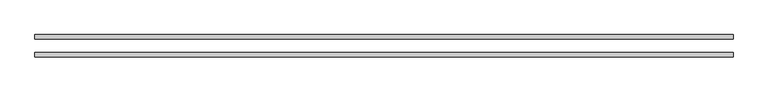
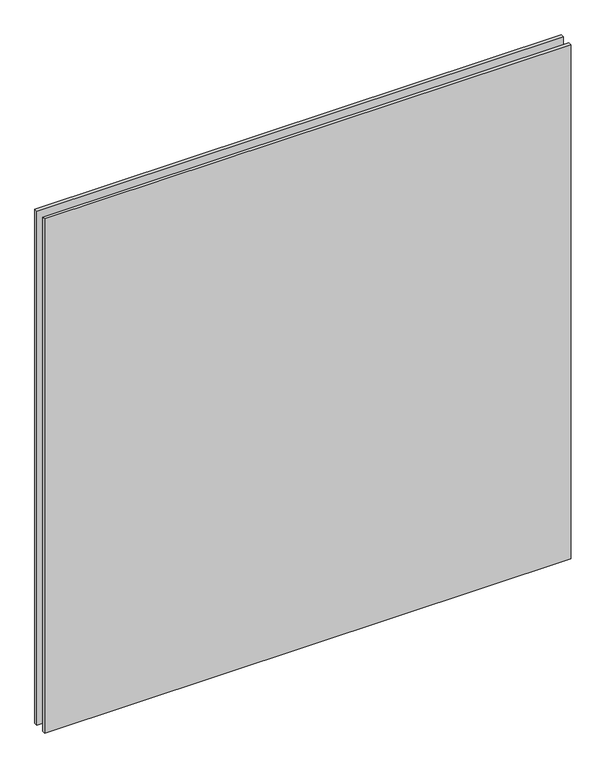
"""IFC4 building model written with IfcOpenShell, lengths in millimetres: plate geometry."""

from ifc_helpers import new_model, si_unit, origin, origin_with_axes, place, context, project, spatial, polyline, outline, extrude, source, transform, mapped, element, save


def plate_f21fb3b4(model_context):
    return source(origin(), model_context, "Body", "SweptSolid", [
        extrude(outline(polyline([(625.0, -48.3), (-625.0, -48.3), (-625.0, -40.3), (625.0, -40.3), (625.0, -48.3)])), origin_with_axes(), (0.0, 0.0, 1.0), 1290.0),
        extrude(outline(polyline([(625.0, -16.3), (-625.0, -16.3), (-625.0, -8.3), (625.0, -8.3), (625.0, -16.3)])), origin_with_axes(), (0.0, 0.0, 1.0), 1290.0),
    ])


if __name__ == "__main__":
    model = new_model("IFC4")
    model_context = context("Model", 3, world=origin())
    ifc_project = project(units=[si_unit("LENGTHUNIT", "METRE", prefix="MILLI")], contexts=[model_context])
    site = spatial("IfcSite", under=ifc_project)
    building = spatial("IfcBuilding", under=site)
    placement = place(None, origin())
    plate_shape = plate_f21fb3b4(model_context)
    element("IfcPlate", 1, at=placement, inside=building, context=model_context, shape_type="MappedRepresentation", body=[
        mapped(plate_shape, transform((0.0, 0.0, 0.0), x_axis=(1.0, 0.0, 0.0), y_axis=(0.0, 1.0, 0.0), z_axis=(0.0, 0.0, 1.0))),
    ])
    save(model, "model.ifc")
